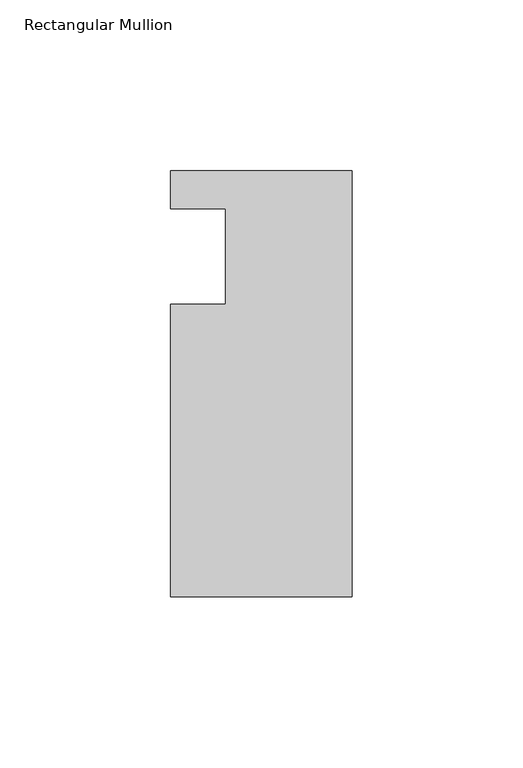
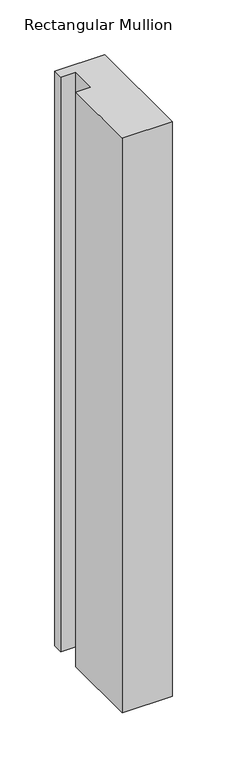
"""IFC4 building model written with IfcOpenShell, lengths in millimetres: member geometry, Rectangular Mullion."""

from ifc_helpers import new_model, si_unit, frame, origin, place, context, project, spatial, polyline, outline, extrude, source, transform, mapped, element, save


def rectangular_mullion_6635cd33(model_context):
    return source(origin(), model_context, "Body", "SweptSolid", [
        extrude(outline(polyline([(-37.0, 13.9999453), (-53.0, 13.9999453), (-53.0, 24.9999453), (0.0, 24.9999453), (0.0, -99.5000547), (-53.0, -99.5000547), (-53.0, -14.0000547), (-37.0, -14.0000547), (-37.0, 13.9999453)])), frame((0.0, 0.0, -643.909828), z_axis=(0.0, 0.0, 1.0), x_axis=(1.0, 0.0, 0.0)), (0.0, 0.0, 1.0), 643.909828),
    ])


if __name__ == "__main__":
    model = new_model("IFC4")
    model_context = context("Model", 3, world=origin())
    ifc_project = project(units=[si_unit("LENGTHUNIT", "METRE", prefix="MILLI")], contexts=[model_context])
    site = spatial("IfcSite", under=ifc_project)
    building = spatial("IfcBuilding", under=site)
    placement = place(None, origin())
    rectangular_mullion_shape = rectangular_mullion_6635cd33(model_context)
    element("IfcMember", 1, ObjectType="Rectangular Mullion", at=placement, inside=building, context=model_context, shape_type="MappedRepresentation", body=[
        mapped(rectangular_mullion_shape, transform((0.0, 0.0, 0.0), x_axis=(1.0, 0.0, 0.0), y_axis=(0.0, 1.0, 0.0), z_axis=(0.0, 0.0, 1.0))),
    ])
    save(model, "model.ifc")
